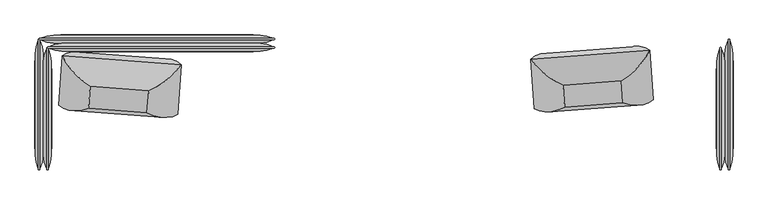
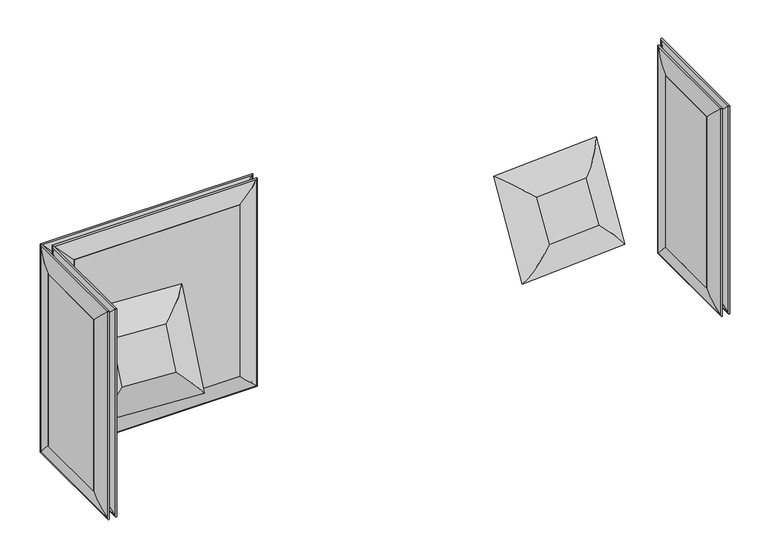
"""IFC4 building model written with IfcOpenShell, lengths in millimetres: furniture geometry."""

from ifc_helpers import new_model, si_unit, frame, origin, place, context, project, spatial, polyline, ellipse_curve, outline, extrude, source, transform, mapped, element, save
from ifc_brep_helpers import plane_surface, cylinder_surface, advanced_brep


def furniture_4b3752be(model_context):
    return source(origin(), model_context, "Body", "SolidModel", [
        advanced_brep(
        [(-1482.725, 410.5220019, 1163.5628297), (-1575.8563317, 425.266915, 1256.6941614), (-1575.8563317, 425.266915, 145.8277373), (-1482.725, 410.5220019, 238.959069), (-1482.725, 446.7279981, 1163.5628297), (-1482.725, 446.7279981, 238.959069), (-1575.8563317, 431.983085, 1256.6941614), (-1575.8563317, 431.983085, 145.8277373), (-506.9436683, 425.266915, 145.8277373), (-600.075, 410.5220019, 238.959069), (-600.075, 446.7279981, 238.959069), (-506.9436683, 431.983085, 145.8277373), (-506.9436683, 425.266915, 1256.6941614), (-600.075, 410.5220019, 1163.5628297), (-600.075, 446.7279981, 1163.5628297), (-506.9436683, 431.983085, 1256.6941614)],
        [
            (0, 1, ellipse_curve(frame((-1501.4217286, 593.9193158, 1182.2595584), z_axis=(-0.7071067811865475, 0.0, -0.7071067811865475), x_axis=(-0.7071067811865474, 0.0, 0.7071067811865476)), 260.707278, 184.3478842)),
            (1, 2),
            (2, 3, ellipse_curve(frame((-1501.4217286, 593.9193158, 220.2623404), z_axis=(-0.7071067811865475, 0.0, 0.7071067811865475), x_axis=(0.7071067811865474, 0.0, 0.7071067811865476)), 260.707278, 184.3478842)),
            (3, 0),
            (4, 0),
            (3, 5),
            (5, 4),
            (6, 4, ellipse_curve(frame((-1501.4217286, 263.3306842, 1182.2595584), z_axis=(-0.7071067811865475, 0.0, -0.7071067811865475), x_axis=(-0.7071067811865474, 0.0, 0.7071067811865476)), 260.707278, 184.3478842)),
            (5, 7, ellipse_curve(frame((-1501.4217286, 263.3306842, 220.2623404), z_axis=(-0.7071067811865475, 0.0, 0.7071067811865475), x_axis=(0.7071067811865474, 0.0, 0.7071067811865476)), 260.707278, 184.3478842)),
            (7, 6),
            (1, 6, ellipse_curve(frame((-1577.4744455, 428.625, 1258.3122753), z_axis=(-0.7071067811865475, 0.0, -0.7071067811865475), x_axis=(-0.7071067811865474, 0.0, 0.7071067811865476)), 5.2716273, 3.7276034)),
            (7, 2, ellipse_curve(frame((-1577.4744455, 428.625, 144.2096235), z_axis=(-0.7071067811865475, 0.0, 0.7071067811865475), x_axis=(0.7071067811865474, 0.0, 0.7071067811865476)), 5.2716273, 3.7276034)),
            (2, 8),
            (8, 9, ellipse_curve(frame((-581.3782714, 593.9193158, 220.2623404), z_axis=(-0.7071067811865475, 0.0, -0.7071067811865475), x_axis=(-0.7071067811865476, 0.0, 0.7071067811865474)), 260.707278, 184.3478842)),
            (9, 3),
            (9, 10),
            (10, 5),
            (10, 11, ellipse_curve(frame((-581.3782714, 263.3306842, 220.2623404), z_axis=(-0.7071067811865475, 0.0, -0.7071067811865475), x_axis=(-0.7071067811865476, 0.0, 0.7071067811865474)), 260.707278, 184.3478842)),
            (11, 7),
            (11, 8, ellipse_curve(frame((-505.3255545, 428.625, 144.2096235), z_axis=(-0.7071067811865475, 0.0, -0.7071067811865475), x_axis=(-0.7071067811865476, 0.0, 0.7071067811865474)), 5.2716273, 3.7276034)),
            (8, 12),
            (12, 13, ellipse_curve(frame((-581.3782714, 593.9193158, 1182.2595584), z_axis=(0.7071067811865475, 0.0, -0.7071067811865475), x_axis=(-0.7071067811865474, 0.0, -0.7071067811865476)), 260.707278, 184.3478842)),
            (13, 9),
            (13, 14),
            (14, 10),
            (14, 15, ellipse_curve(frame((-581.3782714, 263.3306842, 1182.2595584), z_axis=(0.7071067811865475, 0.0, -0.7071067811865475), x_axis=(-0.7071067811865474, 0.0, -0.7071067811865476)), 260.707278, 184.3478842)),
            (15, 11),
            (15, 12, ellipse_curve(frame((-505.3255545, 428.625, 1258.3122753), z_axis=(0.7071067811865475, 0.0, -0.7071067811865475), x_axis=(-0.7071067811865474, 0.0, -0.7071067811865476)), 5.2716273, 3.7276034)),
            (12, 1),
            (0, 13),
            (4, 14),
            (6, 15),
        ],
        [
            cylinder_surface(frame((-1501.4217286, 593.9193158, 1163.5628297), z_axis=(0.0, 0.0, 1.0), x_axis=(0.0, -1.0000000000000002, 0.0)), 184.3478842),
            plane_surface(frame((-1482.725, 410.5220019, 1163.5628297), z_axis=(1.0, 0.0, 0.0), x_axis=(0.0, 0.0, -1.0))),
            cylinder_surface(frame((-1501.4217286, 263.3306842, 1163.5628297), z_axis=(0.0, 0.0, 1.0), x_axis=(0.0, -1.0000000000000002, 0.0)), 184.3478842),
            cylinder_surface(frame((-1577.4744455, 428.625, 1163.5628297), z_axis=(0.0, 0.0, 1.0), x_axis=(0.0, -1.0000000000000002, 0.0)), 3.7276034),
            cylinder_surface(frame((-1482.725, 593.9193158, 220.2623404), z_axis=(-1.0000000000000002, 0.0, 0.0), x_axis=(0.0, -1.0000000000000002, 0.0)), 184.3478842),
            plane_surface(frame((-1482.725, 410.5220019, 238.959069), z_axis=(0.0, 0.0, 1.0), x_axis=(1.0, 0.0, 0.0))),
            cylinder_surface(frame((-1482.725, 263.3306842, 220.2623404), z_axis=(-1.0000000000000002, 0.0, 0.0), x_axis=(0.0, -1.0000000000000002, 0.0)), 184.3478842),
            cylinder_surface(frame((-1482.725, 428.625, 144.2096235), z_axis=(-1.0000000000000002, 0.0, 0.0), x_axis=(0.0, -1.0000000000000002, 0.0)), 3.7276034),
            cylinder_surface(frame((-581.3782714, 593.9193158, 238.959069), z_axis=(0.0, 0.0, -1.0), x_axis=(0.0, -1.0000000000000002, 0.0)), 184.3478842),
            plane_surface(frame((-600.075, 410.5220019, 238.959069), z_axis=(-1.0, 0.0, 0.0), x_axis=(0.0, 0.0, 1.0))),
            cylinder_surface(frame((-581.3782714, 263.3306842, 238.959069), z_axis=(0.0, 0.0, -1.0), x_axis=(0.0, -1.0000000000000002, 0.0)), 184.3478842),
            cylinder_surface(frame((-505.3255545, 428.625, 238.959069), z_axis=(0.0, 0.0, -1.0), x_axis=(0.0, -1.0000000000000002, 0.0)), 3.7276034),
            cylinder_surface(frame((-600.075, 593.9193158, 1182.2595584), z_axis=(1.0000000000000002, 0.0, 0.0), x_axis=(0.0, -1.0000000000000002, 0.0)), 184.3478842),
            plane_surface(frame((-600.075, 410.5220019, 1163.5628297), z_axis=(0.0, 0.0, -1.0), x_axis=(-1.0, 0.0, 0.0))),
            cylinder_surface(frame((-600.075, 263.3306842, 1182.2595584), z_axis=(1.0000000000000002, 0.0, 0.0), x_axis=(0.0, -1.0000000000000002, 0.0)), 184.3478842),
            cylinder_surface(frame((-600.075, 428.625, 1258.3122753), z_axis=(1.0000000000000002, 0.0, 0.0), x_axis=(0.0, -1.0000000000000002, 0.0)), 3.7276034),
        ],
        [
            (0, [[1, 2, 3, 4]]),
            (1, [[5, -4, 6, 7]]),
            (2, [[8, -7, 9, 10]]),
            (3, [[11, -10, 12, -2]]),
            (4, [[-3, 13, 14, 15]]),
            (5, [[-6, -15, 16, 17]]),
            (6, [[-9, -17, 18, 19]]),
            (7, [[-12, -19, 20, -13]]),
            (8, [[-14, 21, 22, 23]]),
            (9, [[-16, -23, 24, 25]]),
            (10, [[-18, -25, 26, 27]]),
            (11, [[-20, -27, 28, -21]]),
            (12, [[-22, 29, -1, 30]]),
            (13, [[-24, -30, -5, 31]]),
            (14, [[-26, -31, -8, 32]]),
            (15, [[-28, -32, -11, -29]]),
        ],
    ),
        extrude(outline(polyline([(-600.075, 447.675), (-600.075, 409.575), (-1482.725, 409.575), (-1482.725, 447.675), (-600.075, 447.675)])), frame((0.0, 0.0, 238.959069), z_axis=(0.0, 0.0, 1.0), x_axis=(1.0, 0.0, 0.0)), (0.0, 0.0, 1.0), 924.6037607),
        advanced_brep(
        [(-1444.625, 372.4220019, 1163.5628297), (-1537.7563317, 387.166915, 1256.6941614), (-1537.7563317, 387.166915, 145.8277373), (-1444.625, 372.4220019, 238.959069), (-1444.625, 408.6279981, 1163.5628297), (-1444.625, 408.6279981, 238.959069), (-1537.7563317, 393.883085, 1256.6941614), (-1537.7563317, 393.883085, 145.8277373), (-506.9436683, 387.166915, 145.8277373), (-600.075, 372.4220019, 238.959069), (-600.075, 408.6279981, 238.959069), (-506.9436683, 393.883085, 145.8277373), (-506.9436683, 387.166915, 1256.6941614), (-600.075, 372.4220019, 1163.5628297), (-600.075, 408.6279981, 1163.5628297), (-506.9436683, 393.883085, 1256.6941614)],
        [
            (0, 1, ellipse_curve(frame((-1463.3217286, 555.8193158, 1182.2595584), z_axis=(-0.7071067811865475, 0.0, -0.7071067811865475), x_axis=(-0.7071067811865474, 0.0, 0.7071067811865476)), 260.707278, 184.3478842)),
            (1, 2),
            (2, 3, ellipse_curve(frame((-1463.3217286, 555.8193158, 220.2623404), z_axis=(-0.7071067811865475, 0.0, 0.7071067811865475), x_axis=(0.7071067811865474, 0.0, 0.7071067811865476)), 260.707278, 184.3478842)),
            (3, 0),
            (4, 0),
            (3, 5),
            (5, 4),
            (6, 4, ellipse_curve(frame((-1463.3217286, 225.2306842, 1182.2595584), z_axis=(-0.7071067811865475, 0.0, -0.7071067811865475), x_axis=(-0.7071067811865474, 0.0, 0.7071067811865476)), 260.707278, 184.3478842)),
            (5, 7, ellipse_curve(frame((-1463.3217286, 225.2306842, 220.2623404), z_axis=(-0.7071067811865475, 0.0, 0.7071067811865475), x_axis=(0.7071067811865474, 0.0, 0.7071067811865476)), 260.707278, 184.3478842)),
            (7, 6),
            (1, 6, ellipse_curve(frame((-1539.3744455, 390.525, 1258.3122753), z_axis=(-0.7071067811865475, 0.0, -0.7071067811865475), x_axis=(-0.7071067811865474, 0.0, 0.7071067811865476)), 5.2716273, 3.7276034)),
            (7, 2, ellipse_curve(frame((-1539.3744455, 390.525, 144.2096235), z_axis=(-0.7071067811865475, 0.0, 0.7071067811865475), x_axis=(0.7071067811865474, 0.0, 0.7071067811865476)), 5.2716273, 3.7276034)),
            (2, 8),
            (8, 9, ellipse_curve(frame((-581.3782714, 555.8193158, 220.2623404), z_axis=(-0.7071067811865475, 0.0, -0.7071067811865475), x_axis=(-0.7071067811865476, 0.0, 0.7071067811865474)), 260.707278, 184.3478842)),
            (9, 3),
            (9, 10),
            (10, 5),
            (10, 11, ellipse_curve(frame((-581.3782714, 225.2306842, 220.2623404), z_axis=(-0.7071067811865475, 0.0, -0.7071067811865475), x_axis=(-0.7071067811865476, 0.0, 0.7071067811865474)), 260.707278, 184.3478842)),
            (11, 7),
            (11, 8, ellipse_curve(frame((-505.3255545, 390.525, 144.2096235), z_axis=(-0.7071067811865475, 0.0, -0.7071067811865475), x_axis=(-0.7071067811865476, 0.0, 0.7071067811865474)), 5.2716273, 3.7276034)),
            (8, 12),
            (12, 13, ellipse_curve(frame((-581.3782714, 555.8193158, 1182.2595584), z_axis=(0.7071067811865475, 0.0, -0.7071067811865475), x_axis=(-0.7071067811865474, 0.0, -0.7071067811865476)), 260.707278, 184.3478842)),
            (13, 9),
            (13, 14),
            (14, 10),
            (14, 15, ellipse_curve(frame((-581.3782714, 225.2306842, 1182.2595584), z_axis=(0.7071067811865475, 0.0, -0.7071067811865475), x_axis=(-0.7071067811865474, 0.0, -0.7071067811865476)), 260.707278, 184.3478842)),
            (15, 11),
            (15, 12, ellipse_curve(frame((-505.3255545, 390.525, 1258.3122753), z_axis=(0.7071067811865475, 0.0, -0.7071067811865475), x_axis=(-0.7071067811865474, 0.0, -0.7071067811865476)), 5.2716273, 3.7276034)),
            (12, 1),
            (0, 13),
            (4, 14),
            (6, 15),
        ],
        [
            cylinder_surface(frame((-1463.3217286, 555.8193158, 1163.5628297), z_axis=(0.0, 0.0, 1.0), x_axis=(0.0, -1.0000000000000002, 0.0)), 184.3478842),
            plane_surface(frame((-1444.625, 372.4220019, 1163.5628297), z_axis=(1.0, 0.0, 0.0), x_axis=(0.0, 0.0, -1.0))),
            cylinder_surface(frame((-1463.3217286, 225.2306842, 1163.5628297), z_axis=(0.0, 0.0, 1.0), x_axis=(0.0, -1.0000000000000002, 0.0)), 184.3478842),
            cylinder_surface(frame((-1539.3744455, 390.525, 1163.5628297), z_axis=(0.0, 0.0, 1.0), x_axis=(0.0, -1.0000000000000002, 0.0)), 3.7276034),
            cylinder_surface(frame((-1444.625, 555.8193158, 220.2623404), z_axis=(-1.0000000000000002, 0.0, 0.0), x_axis=(0.0, -1.0000000000000002, 0.0)), 184.3478842),
            plane_surface(frame((-1444.625, 372.4220019, 238.959069), z_axis=(0.0, 0.0, 1.0), x_axis=(1.0, 0.0, 0.0))),
            cylinder_surface(frame((-1444.625, 225.2306842, 220.2623404), z_axis=(-1.0000000000000002, 0.0, 0.0), x_axis=(0.0, -1.0000000000000002, 0.0)), 184.3478842),
            cylinder_surface(frame((-1444.625, 390.525, 144.2096235), z_axis=(-1.0000000000000002, 0.0, 0.0), x_axis=(0.0, -1.0000000000000002, 0.0)), 3.7276034),
            cylinder_surface(frame((-581.3782714, 555.8193158, 238.959069), z_axis=(0.0, 0.0, -1.0), x_axis=(0.0, -1.0000000000000002, 0.0)), 184.3478842),
            plane_surface(frame((-600.075, 372.4220019, 238.959069), z_axis=(-1.0, 0.0, 0.0), x_axis=(0.0, 0.0, 1.0))),
            cylinder_surface(frame((-581.3782714, 225.2306842, 238.959069), z_axis=(0.0, 0.0, -1.0), x_axis=(0.0, -1.0000000000000002, 0.0)), 184.3478842),
            cylinder_surface(frame((-505.3255545, 390.525, 238.959069), z_axis=(0.0, 0.0, -1.0), x_axis=(0.0, -1.0000000000000002, 0.0)), 3.7276034),
            cylinder_surface(frame((-600.075, 555.8193158, 1182.2595584), z_axis=(1.0000000000000002, 0.0, 0.0), x_axis=(0.0, -1.0000000000000002, 0.0)), 184.3478842),
            plane_surface(frame((-600.075, 372.4220019, 1163.5628297), z_axis=(0.0, 0.0, -1.0), x_axis=(-1.0, 0.0, 0.0))),
            cylinder_surface(frame((-600.075, 225.2306842, 1182.2595584), z_axis=(1.0000000000000002, 0.0, 0.0), x_axis=(0.0, -1.0000000000000002, 0.0)), 184.3478842),
            cylinder_surface(frame((-600.075, 390.525, 1258.3122753), z_axis=(1.0000000000000002, 0.0, 0.0), x_axis=(0.0, -1.0000000000000002, 0.0)), 3.7276034),
        ],
        [
            (0, [[1, 2, 3, 4]]),
            (1, [[5, -4, 6, 7]]),
            (2, [[8, -7, 9, 10]]),
            (3, [[11, -10, 12, -2]]),
            (4, [[-3, 13, 14, 15]]),
            (5, [[-6, -15, 16, 17]]),
            (6, [[-9, -17, 18, 19]]),
            (7, [[-12, -19, 20, -13]]),
            (8, [[-14, 21, 22, 23]]),
            (9, [[-16, -23, 24, 25]]),
            (10, [[-18, -25, 26, 27]]),
            (11, [[-20, -27, 28, -21]]),
            (12, [[-22, 29, -1, 30]]),
            (13, [[-24, -30, -5, 31]]),
            (14, [[-26, -31, -8, 32]]),
            (15, [[-28, -32, -11, -29]]),
        ],
    ),
        extrude(outline(polyline([(-600.075, 409.575), (-600.075, 371.475), (-1444.625, 371.475), (-1444.625, 409.575), (-600.075, 409.575)])), frame((0.0, 0.0, 238.959069), z_axis=(0.0, 0.0, 1.0), x_axis=(1.0, 0.0, 0.0)), (0.0, 0.0, 1.0), 924.6037607),
        advanced_brep(
        [(1524.9470019, -73.025, 1163.5628297), (1524.9470019, -73.025, 238.959069), (1539.691915, -166.1563317, 145.8277373), (1539.691915, -166.1563317, 1256.6941614), (1561.1529981, -73.025, 1163.5628297), (1561.1529981, -73.025, 238.959069), (1546.408085, -166.1563317, 1256.6941614), (1546.408085, -166.1563317, 145.8277373), (1524.9470019, 292.1, 238.959069), (1539.691915, 385.2313317, 145.8277373), (1561.1529981, 292.1, 238.959069), (1546.408085, 385.2313317, 145.8277373), (1524.9470019, 292.1, 1163.5628297), (1539.691915, 385.2313317, 1256.6941614), (1561.1529981, 292.1, 1163.5628297), (1546.408085, 385.2313317, 1256.6941614)],
        [
            (0, 1),
            (1, 2, ellipse_curve(frame((1708.3443158, -91.7217286, 220.2623404), z_axis=(0.0, -0.7071067811865475, 0.7071067811865475), x_axis=(0.0, 0.7071067811865474, 0.7071067811865476)), 260.707278, 184.3478842)),
            (2, 3),
            (3, 0, ellipse_curve(frame((1708.3443158, -91.7217286, 1182.2595584), z_axis=(0.0, -0.7071067811865475, -0.7071067811865475), x_axis=(0.0, -0.7071067811865474, 0.7071067811865476)), 260.707278, 184.3478842)),
            (4, 5),
            (5, 1),
            (0, 4),
            (6, 7),
            (7, 5, ellipse_curve(frame((1377.7556842, -91.7217286, 220.2623404), z_axis=(0.0, -0.7071067811865475, 0.7071067811865475), x_axis=(0.0, 0.7071067811865474, 0.7071067811865476)), 260.707278, 184.3478842)),
            (4, 6, ellipse_curve(frame((1377.7556842, -91.7217286, 1182.2595584), z_axis=(0.0, -0.7071067811865475, -0.7071067811865475), x_axis=(0.0, -0.7071067811865474, 0.7071067811865476)), 260.707278, 184.3478842)),
            (2, 7, ellipse_curve(frame((1543.05, -167.7744455, 144.2096235), z_axis=(0.0, -0.7071067811865475, 0.7071067811865475), x_axis=(0.0, 0.7071067811865474, 0.7071067811865476)), 5.2716273, 3.7276034)),
            (6, 3, ellipse_curve(frame((1543.05, -167.7744455, 1258.3122753), z_axis=(0.0, -0.7071067811865475, -0.7071067811865475), x_axis=(0.0, -0.7071067811865474, 0.7071067811865476)), 5.2716273, 3.7276034)),
            (1, 8),
            (8, 9, ellipse_curve(frame((1708.3443158, 310.7967286, 220.2623404), z_axis=(0.0, -0.7071067811865475, -0.7071067811865475), x_axis=(0.0, -0.7071067811865476, 0.7071067811865474)), 260.707278, 184.3478842)),
            (9, 2),
            (5, 10),
            (10, 8),
            (7, 11),
            (11, 10, ellipse_curve(frame((1377.7556842, 310.7967286, 220.2623404), z_axis=(0.0, -0.7071067811865475, -0.7071067811865475), x_axis=(0.0, -0.7071067811865476, 0.7071067811865474)), 260.707278, 184.3478842)),
            (9, 11, ellipse_curve(frame((1543.05, 386.8494455, 144.2096235), z_axis=(0.0, -0.7071067811865475, -0.7071067811865475), x_axis=(0.0, -0.7071067811865476, 0.7071067811865474)), 5.2716273, 3.7276034)),
            (8, 12),
            (12, 13, ellipse_curve(frame((1708.3443158, 310.7967286, 1182.2595584), z_axis=(0.0, 0.7071067811865475, -0.7071067811865475), x_axis=(0.0, -0.7071067811865474, -0.7071067811865476)), 260.707278, 184.3478842)),
            (13, 9),
            (10, 14),
            (14, 12),
            (11, 15),
            (15, 14, ellipse_curve(frame((1377.7556842, 310.7967286, 1182.2595584), z_axis=(0.0, 0.7071067811865475, -0.7071067811865475), x_axis=(0.0, -0.7071067811865474, -0.7071067811865476)), 260.707278, 184.3478842)),
            (13, 15, ellipse_curve(frame((1543.05, 386.8494455, 1258.3122753), z_axis=(0.0, 0.7071067811865475, -0.7071067811865475), x_axis=(0.0, -0.7071067811865474, -0.7071067811865476)), 5.2716273, 3.7276034)),
            (12, 0),
            (3, 13),
            (14, 4),
            (15, 6),
        ],
        [
            cylinder_surface(frame((1708.3443158, -91.7217286, 1163.5628297), z_axis=(0.0, 0.0, 1.0), x_axis=(-1.0000000000000002, 0.0, 0.0)), 184.3478842),
            plane_surface(frame((1524.9470019, -73.025, 1163.5628297), z_axis=(0.0, 1.0, 0.0), x_axis=(0.0, 0.0, -1.0))),
            cylinder_surface(frame((1377.7556842, -91.7217286, 1163.5628297), z_axis=(0.0, 0.0, 1.0), x_axis=(-1.0000000000000002, 0.0, 0.0)), 184.3478842),
            cylinder_surface(frame((1543.05, -167.7744455, 1163.5628297), z_axis=(0.0, 0.0, 1.0), x_axis=(-1.0000000000000002, 0.0, 0.0)), 3.7276034),
            cylinder_surface(frame((1708.3443158, -73.025, 220.2623404), z_axis=(0.0, -1.0000000000000002, 0.0), x_axis=(-1.0000000000000002, 0.0, 0.0)), 184.3478842),
            plane_surface(frame((1524.9470019, -73.025, 238.959069), z_axis=(0.0, 0.0, 1.0), x_axis=(0.0, 1.0, 0.0))),
            cylinder_surface(frame((1377.7556842, -73.025, 220.2623404), z_axis=(0.0, -1.0000000000000002, 0.0), x_axis=(-1.0000000000000002, 0.0, 0.0)), 184.3478842),
            cylinder_surface(frame((1543.05, -73.025, 144.2096235), z_axis=(0.0, -1.0000000000000002, 0.0), x_axis=(-1.0000000000000002, 0.0, 0.0)), 3.7276034),
            cylinder_surface(frame((1708.3443158, 310.7967286, 238.959069), z_axis=(0.0, 0.0, -1.0), x_axis=(-1.0000000000000002, 0.0, 0.0)), 184.3478842),
            plane_surface(frame((1524.9470019, 292.1, 238.959069), z_axis=(0.0, -1.0, 0.0), x_axis=(0.0, 0.0, 1.0))),
            cylinder_surface(frame((1377.7556842, 310.7967286, 238.959069), z_axis=(0.0, 0.0, -1.0), x_axis=(-1.0000000000000002, 0.0, 0.0)), 184.3478842),
            cylinder_surface(frame((1543.05, 386.8494455, 238.959069), z_axis=(0.0, 0.0, -1.0), x_axis=(-1.0000000000000002, 0.0, 0.0)), 3.7276034),
            cylinder_surface(frame((1708.3443158, 292.1, 1182.2595584), z_axis=(0.0, 1.0000000000000002, 0.0), x_axis=(-1.0000000000000002, 0.0, 0.0)), 184.3478842),
            plane_surface(frame((1524.9470019, 292.1, 1163.5628297), z_axis=(0.0, 0.0, -1.0), x_axis=(0.0, -1.0, 0.0))),
            cylinder_surface(frame((1377.7556842, 292.1, 1182.2595584), z_axis=(0.0, 1.0000000000000002, 0.0), x_axis=(-1.0000000000000002, 0.0, 0.0)), 184.3478842),
            cylinder_surface(frame((1543.05, 292.1, 1258.3122753), z_axis=(0.0, 1.0000000000000002, 0.0), x_axis=(-1.0000000000000002, 0.0, 0.0)), 3.7276034),
        ],
        [
            (0, [[1, 2, 3, 4]]),
            (1, [[5, 6, -1, 7]]),
            (2, [[8, 9, -5, 10]]),
            (3, [[-3, 11, -8, 12]]),
            (4, [[13, 14, 15, -2]]),
            (5, [[16, 17, -13, -6]]),
            (6, [[18, 19, -16, -9]]),
            (7, [[-15, 20, -18, -11]]),
            (8, [[21, 22, 23, -14]]),
            (9, [[24, 25, -21, -17]]),
            (10, [[26, 27, -24, -19]]),
            (11, [[-23, 28, -26, -20]]),
            (12, [[29, -4, 30, -22]]),
            (13, [[31, -7, -29, -25]]),
            (14, [[32, -10, -31, -27]]),
            (15, [[-30, -12, -32, -28]]),
        ],
    ),
        extrude(outline(polyline([(1562.1, 292.1), (1562.1, -73.025), (1524.0, -73.025), (1524.0, 292.1), (1562.1, 292.1)])), frame((0.0, 0.0, 238.959069), z_axis=(0.0, 0.0, 1.0), x_axis=(1.0, 0.0, 0.0)), (0.0, 0.0, 1.0), 924.6037607),
        advanced_brep(
        [(1563.0470019, -73.025, 1163.5628297), (1563.0470019, -73.025, 238.959069), (1577.791915, -166.1563317, 145.8277373), (1577.791915, -166.1563317, 1256.6941614), (1599.2529981, -73.025, 1163.5628297), (1599.2529981, -73.025, 238.959069), (1584.508085, -166.1563317, 1256.6941614), (1584.508085, -166.1563317, 145.8277373), (1563.0470019, 330.2, 238.959069), (1577.791915, 423.3313317, 145.8277373), (1599.2529981, 330.2, 238.959069), (1584.508085, 423.3313317, 145.8277373), (1563.0470019, 330.2, 1163.5628297), (1577.791915, 423.3313317, 1256.6941614), (1599.2529981, 330.2, 1163.5628297), (1584.508085, 423.3313317, 1256.6941614)],
        [
            (0, 1),
            (1, 2, ellipse_curve(frame((1746.4443158, -91.7217286, 220.2623404), z_axis=(0.0, -0.7071067811865475, 0.7071067811865475), x_axis=(0.0, 0.7071067811865474, 0.7071067811865476)), 260.707278, 184.3478842)),
            (2, 3),
            (3, 0, ellipse_curve(frame((1746.4443158, -91.7217286, 1182.2595584), z_axis=(0.0, -0.7071067811865475, -0.7071067811865475), x_axis=(0.0, -0.7071067811865474, 0.7071067811865476)), 260.707278, 184.3478842)),
            (4, 5),
            (5, 1),
            (0, 4),
            (6, 7),
            (7, 5, ellipse_curve(frame((1415.8556842, -91.7217286, 220.2623404), z_axis=(0.0, -0.7071067811865475, 0.7071067811865475), x_axis=(0.0, 0.7071067811865474, 0.7071067811865476)), 260.707278, 184.3478842)),
            (4, 6, ellipse_curve(frame((1415.8556842, -91.7217286, 1182.2595584), z_axis=(0.0, -0.7071067811865475, -0.7071067811865475), x_axis=(0.0, -0.7071067811865474, 0.7071067811865476)), 260.707278, 184.3478842)),
            (2, 7, ellipse_curve(frame((1581.15, -167.7744455, 144.2096235), z_axis=(0.0, -0.7071067811865475, 0.7071067811865475), x_axis=(0.0, 0.7071067811865474, 0.7071067811865476)), 5.2716273, 3.7276034)),
            (6, 3, ellipse_curve(frame((1581.15, -167.7744455, 1258.3122753), z_axis=(0.0, -0.7071067811865475, -0.7071067811865475), x_axis=(0.0, -0.7071067811865474, 0.7071067811865476)), 5.2716273, 3.7276034)),
            (1, 8),
            (8, 9, ellipse_curve(frame((1746.4443158, 348.8967286, 220.2623404), z_axis=(0.0, -0.7071067811865475, -0.7071067811865475), x_axis=(0.0, -0.7071067811865476, 0.7071067811865474)), 260.707278, 184.3478842)),
            (9, 2),
            (5, 10),
            (10, 8),
            (7, 11),
            (11, 10, ellipse_curve(frame((1415.8556842, 348.8967286, 220.2623404), z_axis=(0.0, -0.7071067811865475, -0.7071067811865475), x_axis=(0.0, -0.7071067811865476, 0.7071067811865474)), 260.707278, 184.3478842)),
            (9, 11, ellipse_curve(frame((1581.15, 424.9494455, 144.2096235), z_axis=(0.0, -0.7071067811865475, -0.7071067811865475), x_axis=(0.0, -0.7071067811865476, 0.7071067811865474)), 5.2716273, 3.7276034)),
            (8, 12),
            (12, 13, ellipse_curve(frame((1746.4443158, 348.8967286, 1182.2595584), z_axis=(0.0, 0.7071067811865475, -0.7071067811865475), x_axis=(0.0, -0.7071067811865474, -0.7071067811865476)), 260.707278, 184.3478842)),
            (13, 9),
            (10, 14),
            (14, 12),
            (11, 15),
            (15, 14, ellipse_curve(frame((1415.8556842, 348.8967286, 1182.2595584), z_axis=(0.0, 0.7071067811865475, -0.7071067811865475), x_axis=(0.0, -0.7071067811865474, -0.7071067811865476)), 260.707278, 184.3478842)),
            (13, 15, ellipse_curve(frame((1581.15, 424.9494455, 1258.3122753), z_axis=(0.0, 0.7071067811865475, -0.7071067811865475), x_axis=(0.0, -0.7071067811865474, -0.7071067811865476)), 5.2716273, 3.7276034)),
            (12, 0),
            (3, 13),
            (14, 4),
            (15, 6),
        ],
        [
            cylinder_surface(frame((1746.4443158, -91.7217286, 1163.5628297), z_axis=(0.0, 0.0, 1.0), x_axis=(-1.0000000000000002, 0.0, 0.0)), 184.3478842),
            plane_surface(frame((1563.0470019, -73.025, 1163.5628297), z_axis=(0.0, 1.0, 0.0), x_axis=(0.0, 0.0, -1.0))),
            cylinder_surface(frame((1415.8556842, -91.7217286, 1163.5628297), z_axis=(0.0, 0.0, 1.0), x_axis=(-1.0000000000000002, 0.0, 0.0)), 184.3478842),
            cylinder_surface(frame((1581.15, -167.7744455, 1163.5628297), z_axis=(0.0, 0.0, 1.0), x_axis=(-1.0000000000000002, 0.0, 0.0)), 3.7276034),
            cylinder_surface(frame((1746.4443158, -73.025, 220.2623404), z_axis=(0.0, -1.0000000000000002, 0.0), x_axis=(-1.0000000000000002, 0.0, 0.0)), 184.3478842),
            plane_surface(frame((1563.0470019, -73.025, 238.959069), z_axis=(0.0, 0.0, 1.0), x_axis=(0.0, 1.0, 0.0))),
            cylinder_surface(frame((1415.8556842, -73.025, 220.2623404), z_axis=(0.0, -1.0000000000000002, 0.0), x_axis=(-1.0000000000000002, 0.0, 0.0)), 184.3478842),
            cylinder_surface(frame((1581.15, -73.025, 144.2096235), z_axis=(0.0, -1.0000000000000002, 0.0), x_axis=(-1.0000000000000002, 0.0, 0.0)), 3.7276034),
            cylinder_surface(frame((1746.4443158, 348.8967286, 238.959069), z_axis=(0.0, 0.0, -1.0), x_axis=(-1.0000000000000002, 0.0, 0.0)), 184.3478842),
            plane_surface(frame((1563.0470019, 330.2, 238.959069), z_axis=(0.0, -1.0, 0.0), x_axis=(0.0, 0.0, 1.0))),
            cylinder_surface(frame((1415.8556842, 348.8967286, 238.959069), z_axis=(0.0, 0.0, -1.0), x_axis=(-1.0000000000000002, 0.0, 0.0)), 184.3478842),
            cylinder_surface(frame((1581.15, 424.9494455, 238.959069), z_axis=(0.0, 0.0, -1.0), x_axis=(-1.0000000000000002, 0.0, 0.0)), 3.7276034),
            cylinder_surface(frame((1746.4443158, 330.2, 1182.2595584), z_axis=(0.0, 1.0000000000000002, 0.0), x_axis=(-1.0000000000000002, 0.0, 0.0)), 184.3478842),
            plane_surface(frame((1563.0470019, 330.2, 1163.5628297), z_axis=(0.0, 0.0, -1.0), x_axis=(0.0, -1.0, 0.0))),
            cylinder_surface(frame((1415.8556842, 330.2, 1182.2595584), z_axis=(0.0, 1.0000000000000002, 0.0), x_axis=(-1.0000000000000002, 0.0, 0.0)), 184.3478842),
            cylinder_surface(frame((1581.15, 330.2, 1258.3122753), z_axis=(0.0, 1.0000000000000002, 0.0), x_axis=(-1.0000000000000002, 0.0, 0.0)), 3.7276034),
        ],
        [
            (0, [[1, 2, 3, 4]]),
            (1, [[5, 6, -1, 7]]),
            (2, [[8, 9, -5, 10]]),
            (3, [[-3, 11, -8, 12]]),
            (4, [[13, 14, 15, -2]]),
            (5, [[16, 17, -13, -6]]),
            (6, [[18, 19, -16, -9]]),
            (7, [[-15, 20, -18, -11]]),
            (8, [[21, 22, 23, -14]]),
            (9, [[24, 25, -21, -17]]),
            (10, [[26, 27, -24, -19]]),
            (11, [[-23, 28, -26, -20]]),
            (12, [[29, -4, 30, -22]]),
            (13, [[31, -7, -29, -25]]),
            (14, [[32, -10, -31, -27]]),
            (15, [[-30, -12, -32, -28]]),
        ],
    ),
        extrude(outline(polyline([(1600.2, 330.2), (1600.2, -73.025), (1562.1, -73.025), (1562.1, 330.2), (1600.2, 330.2)])), frame((0.0, 0.0, 238.959069), z_axis=(0.0, 0.0, 1.0), x_axis=(1.0, 0.0, 0.0)), (0.0, 0.0, 1.0), 924.6037607),
        advanced_brep(
        [(-1524.9470019, -73.025, 1163.5628297), (-1539.691915, -166.1563317, 1256.6941614), (-1539.691915, -166.1563317, 145.8277373), (-1524.9470019, -73.025, 238.959069), (-1561.1529981, -73.025, 1163.5628297), (-1561.1529981, -73.025, 238.959069), (-1546.408085, -166.1563317, 1256.6941614), (-1546.408085, -166.1563317, 145.8277373), (-1539.691915, 385.2313317, 145.8277373), (-1524.9470019, 292.1, 238.959069), (-1561.1529981, 292.1, 238.959069), (-1546.408085, 385.2313317, 145.8277373), (-1539.691915, 385.2313317, 1256.6941614), (-1524.9470019, 292.1, 1163.5628297), (-1561.1529981, 292.1, 1163.5628297), (-1546.408085, 385.2313317, 1256.6941614)],
        [
            (0, 1, ellipse_curve(frame((-1708.3443158, -91.7217286, 1182.2595584), z_axis=(0.0, -0.7071067811865475, -0.7071067811865475), x_axis=(0.0, -0.7071067811865474, 0.7071067811865476)), 260.707278, 184.3478842)),
            (1, 2),
            (2, 3, ellipse_curve(frame((-1708.3443158, -91.7217286, 220.2623404), z_axis=(0.0, -0.7071067811865475, 0.7071067811865475), x_axis=(0.0, 0.7071067811865474, 0.7071067811865476)), 260.707278, 184.3478842)),
            (3, 0),
            (4, 0),
            (3, 5),
            (5, 4),
            (6, 4, ellipse_curve(frame((-1377.7556842, -91.7217286, 1182.2595584), z_axis=(0.0, -0.7071067811865475, -0.7071067811865475), x_axis=(0.0, -0.7071067811865474, 0.7071067811865476)), 260.707278, 184.3478842)),
            (5, 7, ellipse_curve(frame((-1377.7556842, -91.7217286, 220.2623404), z_axis=(0.0, -0.7071067811865475, 0.7071067811865475), x_axis=(0.0, 0.7071067811865474, 0.7071067811865476)), 260.707278, 184.3478842)),
            (7, 6),
            (1, 6, ellipse_curve(frame((-1543.05, -167.7744455, 1258.3122753), z_axis=(0.0, -0.7071067811865475, -0.7071067811865475), x_axis=(0.0, -0.7071067811865474, 0.7071067811865476)), 5.2716273, 3.7276034)),
            (7, 2, ellipse_curve(frame((-1543.05, -167.7744455, 144.2096235), z_axis=(0.0, -0.7071067811865475, 0.7071067811865475), x_axis=(0.0, 0.7071067811865474, 0.7071067811865476)), 5.2716273, 3.7276034)),
            (2, 8),
            (8, 9, ellipse_curve(frame((-1708.3443158, 310.7967286, 220.2623404), z_axis=(0.0, -0.7071067811865475, -0.7071067811865475), x_axis=(0.0, -0.7071067811865476, 0.7071067811865474)), 260.707278, 184.3478842)),
            (9, 3),
            (9, 10),
            (10, 5),
            (10, 11, ellipse_curve(frame((-1377.7556842, 310.7967286, 220.2623404), z_axis=(0.0, -0.7071067811865475, -0.7071067811865475), x_axis=(0.0, -0.7071067811865476, 0.7071067811865474)), 260.707278, 184.3478842)),
            (11, 7),
            (11, 8, ellipse_curve(frame((-1543.05, 386.8494455, 144.2096235), z_axis=(0.0, -0.7071067811865475, -0.7071067811865475), x_axis=(0.0, -0.7071067811865476, 0.7071067811865474)), 5.2716273, 3.7276034)),
            (8, 12),
            (12, 13, ellipse_curve(frame((-1708.3443158, 310.7967286, 1182.2595584), z_axis=(0.0, 0.7071067811865475, -0.7071067811865475), x_axis=(0.0, -0.7071067811865474, -0.7071067811865476)), 260.707278, 184.3478842)),
            (13, 9),
            (13, 14),
            (14, 10),
            (14, 15, ellipse_curve(frame((-1377.7556842, 310.7967286, 1182.2595584), z_axis=(0.0, 0.7071067811865475, -0.7071067811865475), x_axis=(0.0, -0.7071067811865474, -0.7071067811865476)), 260.707278, 184.3478842)),
            (15, 11),
            (15, 12, ellipse_curve(frame((-1543.05, 386.8494455, 1258.3122753), z_axis=(0.0, 0.7071067811865475, -0.7071067811865475), x_axis=(0.0, -0.7071067811865474, -0.7071067811865476)), 5.2716273, 3.7276034)),
            (12, 1),
            (0, 13),
            (4, 14),
            (6, 15),
        ],
        [
            cylinder_surface(frame((-1708.3443158, -91.7217286, 1163.5628297), z_axis=(0.0, 0.0, 1.0), x_axis=(1.0000000000000002, 0.0, 0.0)), 184.3478842),
            plane_surface(frame((-1524.9470019, -73.025, 1163.5628297), z_axis=(0.0, 1.0, 0.0), x_axis=(0.0, 0.0, -1.0))),
            cylinder_surface(frame((-1377.7556842, -91.7217286, 1163.5628297), z_axis=(0.0, 0.0, 1.0), x_axis=(1.0000000000000002, 0.0, 0.0)), 184.3478842),
            cylinder_surface(frame((-1543.05, -167.7744455, 1163.5628297), z_axis=(0.0, 0.0, 1.0), x_axis=(1.0000000000000002, 0.0, 0.0)), 3.7276034),
            cylinder_surface(frame((-1708.3443158, -73.025, 220.2623404), z_axis=(0.0, -1.0000000000000002, 0.0), x_axis=(1.0000000000000002, 0.0, 0.0)), 184.3478842),
            plane_surface(frame((-1524.9470019, -73.025, 238.959069), z_axis=(0.0, 0.0, 1.0), x_axis=(0.0, 1.0, 0.0))),
            cylinder_surface(frame((-1377.7556842, -73.025, 220.2623404), z_axis=(0.0, -1.0000000000000002, 0.0), x_axis=(1.0000000000000002, 0.0, 0.0)), 184.3478842),
            cylinder_surface(frame((-1543.05, -73.025, 144.2096235), z_axis=(0.0, -1.0000000000000002, 0.0), x_axis=(1.0000000000000002, 0.0, 0.0)), 3.7276034),
            cylinder_surface(frame((-1708.3443158, 310.7967286, 238.959069), z_axis=(0.0, 0.0, -1.0), x_axis=(1.0000000000000002, 0.0, 0.0)), 184.3478842),
            plane_surface(frame((-1524.9470019, 292.1, 238.959069), z_axis=(0.0, -1.0, 0.0), x_axis=(0.0, 0.0, 1.0))),
            cylinder_surface(frame((-1377.7556842, 310.7967286, 238.959069), z_axis=(0.0, 0.0, -1.0), x_axis=(1.0000000000000002, 0.0, 0.0)), 184.3478842),
            cylinder_surface(frame((-1543.05, 386.8494455, 238.959069), z_axis=(0.0, 0.0, -1.0), x_axis=(1.0000000000000002, 0.0, 0.0)), 3.7276034),
            cylinder_surface(frame((-1708.3443158, 292.1, 1182.2595584), z_axis=(0.0, 1.0000000000000002, 0.0), x_axis=(1.0000000000000002, 0.0, 0.0)), 184.3478842),
            plane_surface(frame((-1524.9470019, 292.1, 1163.5628297), z_axis=(0.0, 0.0, -1.0), x_axis=(0.0, -1.0, 0.0))),
            cylinder_surface(frame((-1377.7556842, 292.1, 1182.2595584), z_axis=(0.0, 1.0000000000000002, 0.0), x_axis=(1.0000000000000002, 0.0, 0.0)), 184.3478842),
            cylinder_surface(frame((-1543.05, 292.1, 1258.3122753), z_axis=(0.0, 1.0000000000000002, 0.0), x_axis=(1.0000000000000002, 0.0, 0.0)), 3.7276034),
        ],
        [
            (0, [[1, 2, 3, 4]]),
            (1, [[5, -4, 6, 7]]),
            (2, [[8, -7, 9, 10]]),
            (3, [[11, -10, 12, -2]]),
            (4, [[-3, 13, 14, 15]]),
            (5, [[-6, -15, 16, 17]]),
            (6, [[-9, -17, 18, 19]]),
            (7, [[-12, -19, 20, -13]]),
            (8, [[-14, 21, 22, 23]]),
            (9, [[-16, -23, 24, 25]]),
            (10, [[-18, -25, 26, 27]]),
            (11, [[-20, -27, 28, -21]]),
            (12, [[-22, 29, -1, 30]]),
            (13, [[-24, -30, -5, 31]]),
            (14, [[-26, -31, -8, 32]]),
            (15, [[-28, -32, -11, -29]]),
        ],
    ),
        extrude(outline(polyline([(-1562.1, 292.1), (-1524.0, 292.1), (-1524.0, -73.025), (-1562.1, -73.025), (-1562.1, 292.1)])), frame((0.0, 0.0, 238.959069), z_axis=(0.0, 0.0, 1.0), x_axis=(1.0, 0.0, 0.0)), (0.0, 0.0, 1.0), 924.6037607),
        advanced_brep(
        [(-1563.0470019, -73.025, 1163.5628297), (-1577.791915, -166.1563317, 1256.6941614), (-1577.791915, -166.1563317, 145.8277373), (-1563.0470019, -73.025, 238.959069), (-1599.2529981, -73.025, 1163.5628297), (-1599.2529981, -73.025, 238.959069), (-1584.508085, -166.1563317, 1256.6941614), (-1584.508085, -166.1563317, 145.8277373), (-1577.791915, 423.3313317, 145.8277373), (-1563.0470019, 330.2, 238.959069), (-1599.2529981, 330.2, 238.959069), (-1584.508085, 423.3313317, 145.8277373), (-1577.791915, 423.3313317, 1256.6941614), (-1563.0470019, 330.2, 1163.5628297), (-1599.2529981, 330.2, 1163.5628297), (-1584.508085, 423.3313317, 1256.6941614)],
        [
            (0, 1, ellipse_curve(frame((-1746.4443158, -91.7217286, 1182.2595584), z_axis=(0.0, -0.7071067811865475, -0.7071067811865475), x_axis=(0.0, -0.7071067811865474, 0.7071067811865476)), 260.707278, 184.3478842)),
            (1, 2),
            (2, 3, ellipse_curve(frame((-1746.4443158, -91.7217286, 220.2623404), z_axis=(0.0, -0.7071067811865475, 0.7071067811865475), x_axis=(0.0, 0.7071067811865474, 0.7071067811865476)), 260.707278, 184.3478842)),
            (3, 0),
            (4, 0),
            (3, 5),
            (5, 4),
            (6, 4, ellipse_curve(frame((-1415.8556842, -91.7217286, 1182.2595584), z_axis=(0.0, -0.7071067811865475, -0.7071067811865475), x_axis=(0.0, -0.7071067811865474, 0.7071067811865476)), 260.707278, 184.3478842)),
            (5, 7, ellipse_curve(frame((-1415.8556842, -91.7217286, 220.2623404), z_axis=(0.0, -0.7071067811865475, 0.7071067811865475), x_axis=(0.0, 0.7071067811865474, 0.7071067811865476)), 260.707278, 184.3478842)),
            (7, 6),
            (1, 6, ellipse_curve(frame((-1581.15, -167.7744455, 1258.3122753), z_axis=(0.0, -0.7071067811865475, -0.7071067811865475), x_axis=(0.0, -0.7071067811865474, 0.7071067811865476)), 5.2716273, 3.7276034)),
            (7, 2, ellipse_curve(frame((-1581.15, -167.7744455, 144.2096235), z_axis=(0.0, -0.7071067811865475, 0.7071067811865475), x_axis=(0.0, 0.7071067811865474, 0.7071067811865476)), 5.2716273, 3.7276034)),
            (2, 8),
            (8, 9, ellipse_curve(frame((-1746.4443158, 348.8967286, 220.2623404), z_axis=(0.0, -0.7071067811865475, -0.7071067811865475), x_axis=(0.0, -0.7071067811865476, 0.7071067811865474)), 260.707278, 184.3478842)),
            (9, 3),
            (9, 10),
            (10, 5),
            (10, 11, ellipse_curve(frame((-1415.8556842, 348.8967286, 220.2623404), z_axis=(0.0, -0.7071067811865475, -0.7071067811865475), x_axis=(0.0, -0.7071067811865476, 0.7071067811865474)), 260.707278, 184.3478842)),
            (11, 7),
            (11, 8, ellipse_curve(frame((-1581.15, 424.9494455, 144.2096235), z_axis=(0.0, -0.7071067811865475, -0.7071067811865475), x_axis=(0.0, -0.7071067811865476, 0.7071067811865474)), 5.2716273, 3.7276034)),
            (8, 12),
            (12, 13, ellipse_curve(frame((-1746.4443158, 348.8967286, 1182.2595584), z_axis=(0.0, 0.7071067811865475, -0.7071067811865475), x_axis=(0.0, -0.7071067811865474, -0.7071067811865476)), 260.707278, 184.3478842)),
            (13, 9),
            (13, 14),
            (14, 10),
            (14, 15, ellipse_curve(frame((-1415.8556842, 348.8967286, 1182.2595584), z_axis=(0.0, 0.7071067811865475, -0.7071067811865475), x_axis=(0.0, -0.7071067811865474, -0.7071067811865476)), 260.707278, 184.3478842)),
            (15, 11),
            (15, 12, ellipse_curve(frame((-1581.15, 424.9494455, 1258.3122753), z_axis=(0.0, 0.7071067811865475, -0.7071067811865475), x_axis=(0.0, -0.7071067811865474, -0.7071067811865476)), 5.2716273, 3.7276034)),
            (12, 1),
            (0, 13),
            (4, 14),
            (6, 15),
        ],
        [
            cylinder_surface(frame((-1746.4443158, -91.7217286, 1163.5628297), z_axis=(0.0, 0.0, 1.0), x_axis=(1.0000000000000002, 0.0, 0.0)), 184.3478842),
            plane_surface(frame((-1563.0470019, -73.025, 1163.5628297), z_axis=(0.0, 1.0, 0.0), x_axis=(0.0, 0.0, -1.0))),
            cylinder_surface(frame((-1415.8556842, -91.7217286, 1163.5628297), z_axis=(0.0, 0.0, 1.0), x_axis=(1.0000000000000002, 0.0, 0.0)), 184.3478842),
            cylinder_surface(frame((-1581.15, -167.7744455, 1163.5628297), z_axis=(0.0, 0.0, 1.0), x_axis=(1.0000000000000002, 0.0, 0.0)), 3.7276034),
            cylinder_surface(frame((-1746.4443158, -73.025, 220.2623404), z_axis=(0.0, -1.0000000000000002, 0.0), x_axis=(1.0000000000000002, 0.0, 0.0)), 184.3478842),
            plane_surface(frame((-1563.0470019, -73.025, 238.959069), z_axis=(0.0, 0.0, 1.0), x_axis=(0.0, 1.0, 0.0))),
            cylinder_surface(frame((-1415.8556842, -73.025, 220.2623404), z_axis=(0.0, -1.0000000000000002, 0.0), x_axis=(1.0000000000000002, 0.0, 0.0)), 184.3478842),
            cylinder_surface(frame((-1581.15, -73.025, 144.2096235), z_axis=(0.0, -1.0000000000000002, 0.0), x_axis=(1.0000000000000002, 0.0, 0.0)), 3.7276034),
            cylinder_surface(frame((-1746.4443158, 348.8967286, 238.959069), z_axis=(0.0, 0.0, -1.0), x_axis=(1.0000000000000002, 0.0, 0.0)), 184.3478842),
            plane_surface(frame((-1563.0470019, 330.2, 238.959069), z_axis=(0.0, -1.0, 0.0), x_axis=(0.0, 0.0, 1.0))),
            cylinder_surface(frame((-1415.8556842, 348.8967286, 238.959069), z_axis=(0.0, 0.0, -1.0), x_axis=(1.0000000000000002, 0.0, 0.0)), 184.3478842),
            cylinder_surface(frame((-1581.15, 424.9494455, 238.959069), z_axis=(0.0, 0.0, -1.0), x_axis=(1.0000000000000002, 0.0, 0.0)), 3.7276034),
            cylinder_surface(frame((-1746.4443158, 330.2, 1182.2595584), z_axis=(0.0, 1.0000000000000002, 0.0), x_axis=(1.0000000000000002, 0.0, 0.0)), 184.3478842),
            plane_surface(frame((-1563.0470019, 330.2, 1163.5628297), z_axis=(0.0, 0.0, -1.0), x_axis=(0.0, -1.0, 0.0))),
            cylinder_surface(frame((-1415.8556842, 330.2, 1182.2595584), z_axis=(0.0, 1.0000000000000002, 0.0), x_axis=(1.0000000000000002, 0.0, 0.0)), 184.3478842),
            cylinder_surface(frame((-1581.15, 330.2, 1258.3122753), z_axis=(0.0, 1.0000000000000002, 0.0), x_axis=(1.0000000000000002, 0.0, 0.0)), 3.7276034),
        ],
        [
            (0, [[1, 2, 3, 4]]),
            (1, [[5, -4, 6, 7]]),
            (2, [[8, -7, 9, 10]]),
            (3, [[11, -10, 12, -2]]),
            (4, [[-3, 13, 14, 15]]),
            (5, [[-6, -15, 16, 17]]),
            (6, [[-9, -17, 18, 19]]),
            (7, [[-12, -19, 20, -13]]),
            (8, [[-14, 21, 22, 23]]),
            (9, [[-16, -23, 24, 25]]),
            (10, [[-18, -25, 26, 27]]),
            (11, [[-20, -27, 28, -21]]),
            (12, [[-22, 29, -1, 30]]),
            (13, [[-24, -30, -5, 31]]),
            (14, [[-26, -31, -8, 32]]),
            (15, [[-28, -32, -11, -29]]),
        ],
    ),
        extrude(outline(polyline([(-1600.2, 330.2), (-1562.1, 330.2), (-1562.1, -73.025), (-1600.2, -73.025), (-1600.2, 330.2)])), frame((0.0, 0.0, 238.959069), z_axis=(0.0, 0.0, 1.0), x_axis=(1.0, 0.0, 0.0)), (0.0, 0.0, 1.0), 924.6037607),
        advanced_brep(
        [(-1086.4824944, 91.4452841, 601.3597902), (-946.1344001, 83.819228, 442.9525085), (-930.2713485, 311.5593889, 890.9951012), (-1079.462977, 192.2219867, 799.6219453), (-1076.2871536, 226.8514851, 532.1718162), (-1069.2676362, 327.6281877, 730.4339713), (-1475.8320301, 352.002672, 889.7534724), (-1345.4556495, 211.9404475, 799.0165788), (-1335.2603087, 347.3466486, 729.8286048), (-1491.6950817, 124.2625111, 441.7108798), (-1352.4751669, 111.1637449, 600.7544237), (-1342.2798261, 246.569946, 531.5664497)],
        [
            (0, 1, ellipse_curve(frame((-1082.8889762, 261.8597722, 524.923135), z_axis=(0.7274765257201, 0.26797163879018027, 0.6316400124519643), x_axis=(0.6828634467724722, -0.3725223892997128, -0.6284302527189888)), 263.8641638, 186.5801395)),
            (1, 2),
            (2, 3, ellipse_curve(frame((-1076.4491711, 354.3137522, 706.8116554), z_axis=(0.682863446772471, -0.3725223892997134, -0.6284302527189898), x_axis=(-0.7274765257201012, -0.26797163879017943, -0.6316400124519633)), 263.8641638, 186.5801395)),
            (3, 0),
            (1, 4, ellipse_curve(frame((-1092.5226244, 75.0475364, 615.2730698), z_axis=(0.7274765257201, 0.26797163879018027, 0.6316400124519643), x_axis=(0.6828634467724722, -0.3725223892997128, -0.6284302527189888)), 245.7274984, 173.7555804)),
            (4, 5),
            (5, 2, ellipse_curve(frame((-1085.8046727, 171.4947673, 805.0176771), z_axis=(0.682863446772471, -0.3725223892997134, -0.6284302527189898), x_axis=(-0.7274765257201012, -0.26797163879017943, -0.6316400124519633)), 245.7274984, 173.7555804)),
            (2, 6),
            (6, 7, ellipse_curve(frame((-1324.1155707, 372.6736573, 706.2479973), z_axis=(0.7274765257201008, 0.26797163879017943, 0.6316400124519638), x_axis=(0.6828634467724717, -0.3725223892997128, -0.6284302527189893)), 263.8641638, 186.5801395)),
            (7, 3),
            (5, 8),
            (8, 6, ellipse_curve(frame((-1342.2640371, 190.5065089, 804.4340072), z_axis=(0.7274765257201008, 0.26797163879017943, 0.6316400124519638), x_axis=(0.6828634467724717, -0.3725223892997128, -0.6284302527189893)), 245.7274984, 173.7555804)),
            (6, 9),
            (9, 10, ellipse_curve(frame((-1330.5553758, 280.2196773, 524.3594769), z_axis=(-0.6828634467724729, 0.3725223892997124, 0.6284302527189884), x_axis=(0.7274765257200996, 0.2679716387901802, 0.631640012451965)), 263.8641638, 186.5801395)),
            (10, 7),
            (8, 11),
            (11, 9, ellipse_curve(frame((-1348.9819887, 94.0592779, 614.6893999), z_axis=(-0.6828634467724729, 0.3725223892997124, 0.6284302527189884), x_axis=(0.7274765257200996, 0.2679716387901802, 0.631640012451965)), 245.7274984, 173.7555804)),
            (0, 10),
            (9, 1),
            (11, 4),
        ],
        [
            cylinder_surface(frame((-1083.1788324, 257.6984109, 516.7363177), z_axis=(-0.03154621065347943, -0.4528976705718505, -0.8910042292739123), x_axis=(-0.9972609583279474, 0.07392854466343413, -0.0022696428731658037)), 186.5801395),
            cylinder_surface(frame((-1092.6734073, 72.8828006, 611.0142959), z_axis=(-0.03154621065347943, -0.4528976705718505, -0.8910042292739123), x_axis=(-0.9972609583279474, 0.07392854466343413, -0.0022696428731658037)), 173.7555804),
            cylinder_surface(frame((-1067.2860347, 353.6344743, 706.8325096), z_axis=(0.9972609583279473, -0.0739285446634347, 0.0022696428731643573), x_axis=(-0.03154621065348094, -0.45289767057184993, -0.8910042292739123)), 186.5801395),
            cylinder_surface(frame((-1081.0380187, 171.1414077, 805.0285254), z_axis=(0.9972609583279473, -0.0739285446634347, 0.0022696428731643573), x_axis=(-0.03154621065348094, -0.45289767057184993, -0.8910042292739123)), 173.7555804),
            cylinder_surface(frame((-1323.8257146, 376.8350185, 714.4348146), z_axis=(0.03154621065347814, 0.4528976705718502, 0.8910042292739125), x_axis=(0.9972609583279475, -0.07392854466343347, 0.0022696428731668883)), 186.5801395),
            cylinder_surface(frame((-1342.1132542, 192.6712447, 808.6927811), z_axis=(0.03154621065347814, 0.4528976705718502, 0.8910042292739125), x_axis=(0.9972609583279475, -0.07392854466343347, 0.0022696428731668883)), 173.7555804),
            cylinder_surface(frame((-1339.7185123, 280.8989552, 524.3386227), z_axis=(-0.9972609583279473, 0.07392854466343284, -0.00226964287316752), x_axis=(0.03154621065347727, 0.45289767057184993, 0.8910042292739123)), 186.5801395),
            cylinder_surface(frame((-1353.7486428, 94.4126376, 614.6785516), z_axis=(-0.9972609583279473, 0.07392854466343284, -0.00226964287316752), x_axis=(0.03154621065347727, 0.45289767057184993, 0.8910042292739123)), 173.7555804),
            plane_surface(frame((-1352.4751669, 111.1637449, 600.7544237), z_axis=(-0.06689856192947163, -0.8884921329277704, 0.4539893304222359), x_axis=(0.9972609583279469, -0.0739285446634333, 0.0022696428731668085))),
            plane_surface(frame((-1342.2798261, 246.569946, 531.5664497), z_axis=(0.06689856192947163, 0.8884921329277704, -0.4539893304222359), x_axis=(-0.9972609583279469, 0.0739285446634333, -0.0022696428731668085))),
        ],
        [
            (0, [[1, 2, 3, 4]]),
            (1, [[-2, 5, 6, 7]]),
            (2, [[-3, 8, 9, 10]]),
            (3, [[-7, 11, 12, -8]]),
            (4, [[-9, 13, 14, 15]]),
            (5, [[-12, 16, 17, -13]]),
            (6, [[-1, 18, -14, 19]]),
            (7, [[-5, -19, -17, 20]]),
            (8, [[-4, -10, -15, -18]]),
            (9, [[-6, -20, -16, -11]]),
        ],
    ),
        advanced_brep(
        [(829.3074944, 116.8452841, 601.3597902), (822.287977, 217.6219867, 799.6219453), (673.0963485, 336.9593889, 890.9951012), (688.9594001, 109.219228, 442.9525085), (812.0926362, 353.0281877, 730.4339713), (819.1121536, 252.2514851, 532.1718162), (1088.2806495, 237.3404475, 799.0165788), (1218.6570301, 377.402672, 889.7534724), (1078.0853087, 372.7466486, 729.8286048), (1095.3001669, 136.5637449, 600.7544237), (1234.5200817, 149.6625111, 441.7108798), (1085.1048261, 271.969946, 531.5664497)],
        [
            (0, 1),
            (1, 2, ellipse_curve(frame((819.2741711, 379.7137522, 706.8116554), z_axis=(-0.682863446772471, -0.3725223892997134, -0.6284302527189898), x_axis=(0.7274765257201012, -0.26797163879017943, -0.6316400124519633)), 263.8641638, 186.5801395)),
            (2, 3),
            (3, 0, ellipse_curve(frame((825.7139762, 287.2597722, 524.923135), z_axis=(-0.7274765257201, 0.26797163879018027, 0.6316400124519643), x_axis=(-0.6828634467724722, -0.3725223892997128, -0.6284302527189888)), 263.8641638, 186.5801395)),
            (2, 4, ellipse_curve(frame((828.6296727, 196.8947673, 805.0176771), z_axis=(-0.682863446772471, -0.3725223892997134, -0.6284302527189898), x_axis=(0.7274765257201012, -0.26797163879017943, -0.6316400124519633)), 245.7274984, 173.7555804)),
            (4, 5),
            (5, 3, ellipse_curve(frame((835.3476244, 100.4475364, 615.2730698), z_axis=(-0.7274765257201, 0.26797163879018027, 0.6316400124519643), x_axis=(-0.6828634467724722, -0.3725223892997128, -0.6284302527189888)), 245.7274984, 173.7555804)),
            (1, 6),
            (6, 7, ellipse_curve(frame((1066.9405707, 398.0736573, 706.2479973), z_axis=(-0.7274765257201008, 0.26797163879017943, 0.6316400124519638), x_axis=(-0.6828634467724717, -0.3725223892997128, -0.6284302527189893)), 263.8641638, 186.5801395)),
            (7, 2),
            (7, 8, ellipse_curve(frame((1085.0890371, 215.9065089, 804.4340072), z_axis=(-0.7274765257201008, 0.26797163879017943, 0.6316400124519638), x_axis=(-0.6828634467724717, -0.3725223892997128, -0.6284302527189893)), 245.7274984, 173.7555804)),
            (8, 4),
            (6, 9),
            (9, 10, ellipse_curve(frame((1073.3803758, 305.6196773, 524.3594769), z_axis=(0.6828634467724729, 0.3725223892997124, 0.6284302527189884), x_axis=(-0.7274765257200996, 0.2679716387901802, 0.631640012451965)), 263.8641638, 186.5801395)),
            (10, 7),
            (10, 11, ellipse_curve(frame((1091.8069887, 119.4592779, 614.6893999), z_axis=(0.6828634467724729, 0.3725223892997124, 0.6284302527189884), x_axis=(-0.7274765257200996, 0.2679716387901802, 0.631640012451965)), 245.7274984, 173.7555804)),
            (11, 8),
            (3, 10),
            (9, 0),
            (5, 11),
        ],
        [
            cylinder_surface(frame((826.0038324, 283.0984109, 516.7363177), z_axis=(0.03154621065347943, -0.4528976705718505, -0.8910042292739123), x_axis=(0.9972609583279474, 0.07392854466343413, -0.0022696428731658037)), 186.5801395),
            cylinder_surface(frame((835.4984073, 98.2828006, 611.0142959), z_axis=(0.03154621065347943, -0.4528976705718505, -0.8910042292739123), x_axis=(0.9972609583279474, 0.07392854466343413, -0.0022696428731658037)), 173.7555804),
            cylinder_surface(frame((810.1110347, 379.0344743, 706.8325096), z_axis=(-0.9972609583279473, -0.0739285446634347, 0.0022696428731643573), x_axis=(0.03154621065348094, -0.45289767057184993, -0.8910042292739123)), 186.5801395),
            cylinder_surface(frame((823.8630187, 196.5414077, 805.0285254), z_axis=(-0.9972609583279473, -0.0739285446634347, 0.0022696428731643573), x_axis=(0.03154621065348094, -0.45289767057184993, -0.8910042292739123)), 173.7555804),
            cylinder_surface(frame((1066.6507146, 402.2350185, 714.4348146), z_axis=(-0.03154621065347814, 0.4528976705718502, 0.8910042292739125), x_axis=(-0.9972609583279475, -0.07392854466343347, 0.0022696428731668883)), 186.5801395),
            cylinder_surface(frame((1084.9382542, 218.0712447, 808.6927811), z_axis=(-0.03154621065347814, 0.4528976705718502, 0.8910042292739125), x_axis=(-0.9972609583279475, -0.07392854466343347, 0.0022696428731668883)), 173.7555804),
            cylinder_surface(frame((1082.5435123, 306.2989552, 524.3386227), z_axis=(0.9972609583279473, 0.07392854466343284, -0.00226964287316752), x_axis=(-0.03154621065347727, 0.45289767057184993, 0.8910042292739123)), 186.5801395),
            cylinder_surface(frame((1096.5736428, 119.8126376, 614.6785516), z_axis=(0.9972609583279473, 0.07392854466343284, -0.00226964287316752), x_axis=(-0.03154621065347727, 0.45289767057184993, 0.8910042292739123)), 173.7555804),
            plane_surface(frame((1095.3001669, 136.5637449, 600.7544237), z_axis=(0.06689856192947163, -0.8884921329277704, 0.4539893304222359), x_axis=(-0.9972609583279469, -0.0739285446634333, 0.0022696428731668085))),
            plane_surface(frame((1085.1048261, 271.969946, 531.5664497), z_axis=(-0.06689856192947163, 0.8884921329277704, -0.4539893304222359), x_axis=(0.9972609583279469, 0.0739285446634333, -0.0022696428731668085))),
        ],
        [
            (0, [[1, 2, 3, 4]]),
            (1, [[5, 6, 7, -3]]),
            (2, [[8, 9, 10, -2]]),
            (3, [[-10, 11, 12, -5]]),
            (4, [[13, 14, 15, -9]]),
            (5, [[-15, 16, 17, -11]]),
            (6, [[18, -14, 19, -4]]),
            (7, [[20, -16, -18, -7]]),
            (8, [[-19, -13, -8, -1]]),
            (9, [[-12, -17, -20, -6]]),
        ],
    ),
    ])


if __name__ == "__main__":
    model = new_model("IFC4")
    model_context = context("Model", 3, world=origin())
    ifc_project = project(units=[si_unit("LENGTHUNIT", "METRE", prefix="MILLI")], contexts=[model_context])
    site = spatial("IfcSite", under=ifc_project)
    building = spatial("IfcBuilding", under=site)
    placement = place(None, origin())
    furniture_shape = furniture_4b3752be(model_context)
    element("IfcFurniture", 1, at=placement, inside=building, context=model_context, shape_type="MappedRepresentation", body=[
        mapped(furniture_shape, transform((0.0, 0.0, 0.0), x_axis=(1.0, 0.0, 0.0), y_axis=(0.0, 1.0, 0.0), z_axis=(0.0, 0.0, 1.0))),
    ])
    save(model, "model.ifc")
